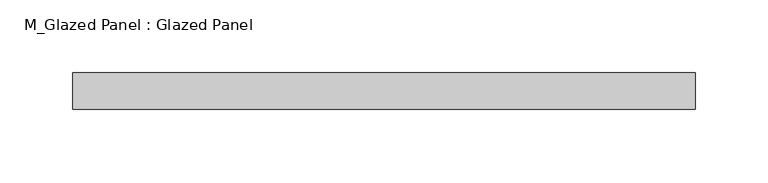
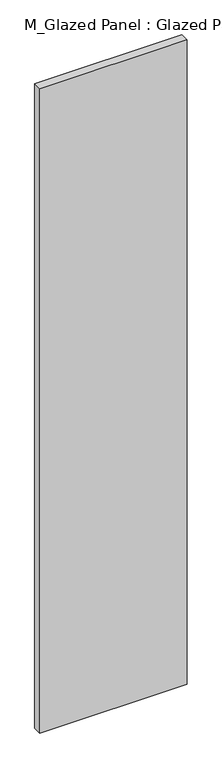
"""IFC4 building model written with IfcOpenShell, lengths in millimetres: plate geometry, M_Glazed Panel : Glazed Panel."""

from ifc_helpers import new_model, si_unit, origin, origin_with_axes, place, context, project, spatial, polyline, outline, extrude, source, transform, mapped, element, save


def m_glazed_panel_glazed_panel_48b798e2(model_context):
    return source(origin(), model_context, "Body", "SweptSolid", [
        extrude(outline(polyline([(213.6967725, 38.5), (-213.6967725, 38.5), (-213.6967725, 63.5), (213.6967725, 63.5), (213.6967725, 38.5)])), origin_with_axes(), (0.0, 0.0, 1.0), 1975.0),
    ])


if __name__ == "__main__":
    model = new_model("IFC4")
    model_context = context("Model", 3, world=origin())
    ifc_project = project(units=[si_unit("LENGTHUNIT", "METRE", prefix="MILLI")], contexts=[model_context])
    site = spatial("IfcSite", under=ifc_project)
    building = spatial("IfcBuilding", under=site)
    placement = place(None, origin())
    m_glazed_panel_glazed_panel_shape = m_glazed_panel_glazed_panel_48b798e2(model_context)
    element("IfcPlate", 1, ObjectType="M_Glazed Panel : Glazed Panel", at=placement, inside=building, context=model_context, shape_type="MappedRepresentation", body=[
        mapped(m_glazed_panel_glazed_panel_shape, transform((0.0, 0.0, 0.0), x_axis=(1.0, 0.0, 0.0), y_axis=(0.0, 1.0, 0.0), z_axis=(0.0, 0.0, 1.0))),
    ])
    save(model, "model.ifc")
